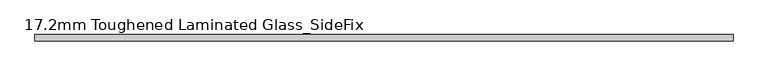
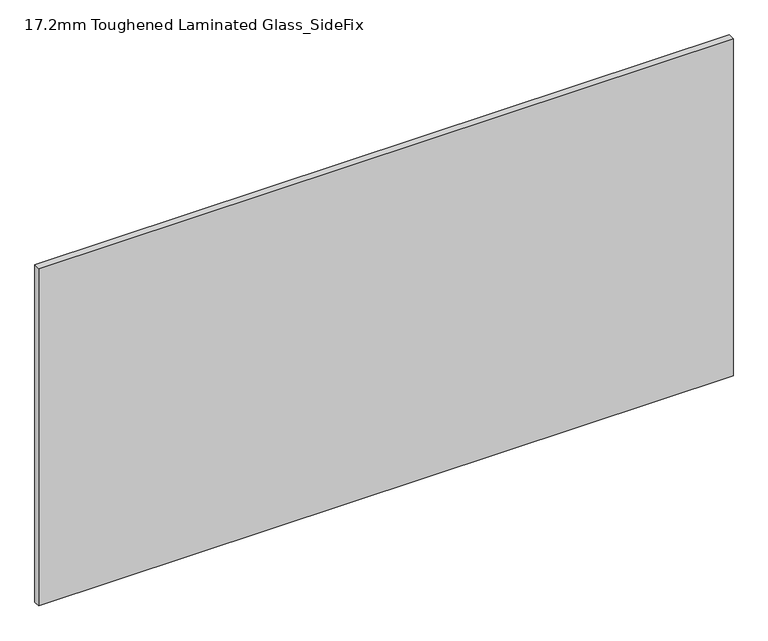
"""IFC4 building model written with IfcOpenShell, lengths in millimetres: plate geometry, 17.2mm Toughened Laminated Glass_SideFix."""

from ifc_helpers import new_model, si_unit, origin, origin_with_axes, place, context, project, spatial, polyline, outline, extrude, source, transform, mapped, element, save


def plate_17_2mm_toughened_laminated_glass_sidefix_e6ee58fc(model_context):
    return source(origin(), model_context, "Body", "SweptSolid", [
        extrude(outline(polyline([(945.0000001, -23.4), (945.0000001, -40.6), (-945.0000001, -40.6), (-945.0000001, -23.4), (945.0000001, -23.4)])), origin_with_axes(), (0.0, 0.0, 1.0), 970.0),
    ])


if __name__ == "__main__":
    model = new_model("IFC4")
    model_context = context("Model", 3, world=origin())
    ifc_project = project(units=[si_unit("LENGTHUNIT", "METRE", prefix="MILLI")], contexts=[model_context])
    site = spatial("IfcSite", under=ifc_project)
    building = spatial("IfcBuilding", under=site)
    placement = place(None, origin())
    plate_17_2mm_toughened_laminated_glass_sidefix_shape = plate_17_2mm_toughened_laminated_glass_sidefix_e6ee58fc(model_context)
    element("IfcPlate", 1, ObjectType="17.2mm Toughened Laminated Glass_SideFix", at=placement, inside=building, context=model_context, shape_type="MappedRepresentation", body=[
        mapped(plate_17_2mm_toughened_laminated_glass_sidefix_shape, transform((0.0, 0.0, 0.0), x_axis=(1.0, 0.0, 0.0), y_axis=(0.0, 1.0, 0.0), z_axis=(0.0, 0.0, 1.0))),
    ])
    save(model, "model.ifc")
